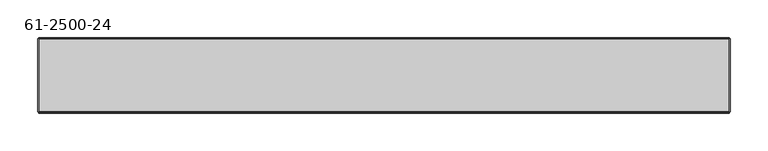
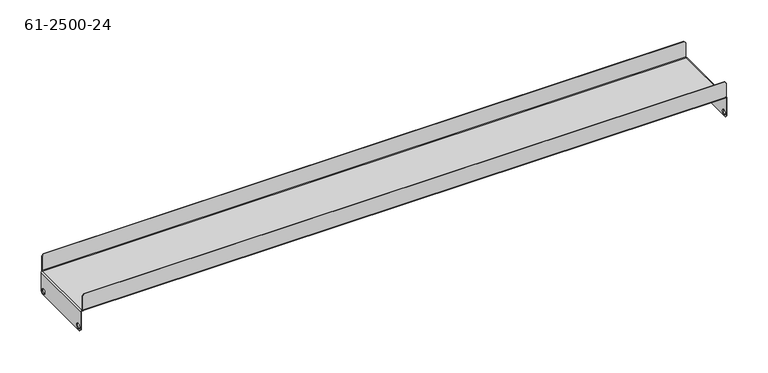
"""IFC4 building model written with IfcOpenShell, lengths in millimetres: proxy geometry, 61-2500-24."""

from ifc_helpers import new_model, si_unit, frame, origin, place, context, project, spatial, polyline, circle_curve, source, transform, mapped, element, save
from ifc_brep_helpers import plane_surface, cylinder_surface, revolved_surface, advanced_brep


def proxy_61_2500_24_89a90659(model_context):
    return source(origin(), model_context, "Body", "AdvancedBrep", [
        advanced_brep(
        [(14.82344, 421.1574, -22.19706), (13.97, 421.1574, -22.19706), (13.97, 421.1574, -29.43606), (14.82344, 421.1574, -29.43606), (935.12132, 421.1574, -22.19706), (934.26788, 421.1574, -22.19706), (934.26788, 421.1574, -29.43606), (935.12132, 421.1574, -29.43606), (14.82344, 506.7554, -22.19706), (13.97, 506.7554, -22.19706), (13.97, 506.7554, -29.43606), (14.82344, 506.7554, -29.43606), (935.12132, 506.7554, -22.19706), (934.26788, 506.7554, -22.19706), (934.26788, 506.7554, -29.43606), (935.12132, 506.7554, -29.43606), (930.87444, 413.73552, 25.4), (933.41444, 413.73552, 22.86), (933.41444, 414.58896, 22.86), (930.87444, 414.58896, 25.4), (18.21688, 414.58896, 25.4), (18.21688, 413.73552, 25.4), (933.41444, 414.58896, 1.70688), (15.67688, 414.58896, 1.70688), (15.67688, 414.58896, 22.86), (933.41444, 514.17728, 22.86), (930.87444, 514.17728, 25.4), (930.87444, 513.32384, 25.4), (933.41444, 513.32384, 22.86), (933.41444, 513.32384, 1.70688), (933.41444, 514.17728, 1.70688), (18.21688, 513.32384, 25.4), (15.67688, 513.32384, 22.86), (15.67688, 513.32384, 1.70688), (15.67688, 413.73552, 22.86), (15.67688, 413.73552, 1.70688), (18.21688, 514.17728, 25.4), (15.67688, 514.17728, 22.86), (15.67688, 514.17728, 1.70688), (935.12132, 512.4704, -28.35656), (935.12132, 509.9304, -30.89656), (934.26788, 509.9304, -30.89656), (934.26788, 512.4704, -28.35656), (934.26788, 512.4704, -0.85344), (935.12132, 512.4704, -0.85344), (934.26788, 417.9824, -30.89656), (934.26788, 415.4424, -28.35656), (934.26788, 415.4424, -0.85344), (935.12132, 417.9824, -30.89656), (935.12132, 415.4424, -28.35656), (935.12132, 415.4424, -0.85344), (13.97, 415.4424, -28.35656), (13.97, 417.9824, -30.89656), (14.82344, 417.9824, -30.89656), (14.82344, 415.4424, -28.35656), (14.82344, 415.4424, -0.85344), (13.97, 415.4424, -0.85344), (14.82344, 509.9304, -30.89656), (14.82344, 512.4704, -28.35656), (14.82344, 512.4704, -0.85344), (13.97, 509.9304, -30.89656), (13.97, 512.4704, -28.35656), (13.97, 512.4704, -0.85344), (933.41444, 512.4704, 0.0), (15.67688, 512.4704, 0.0), (933.41444, 512.4704, 0.85344), (15.67688, 512.4704, 0.85344), (933.41444, 413.73552, 1.70688), (15.67688, 415.4424, 0.0), (933.41444, 415.4424, 0.0), (15.67688, 415.4424, 0.85344), (933.41444, 415.4424, 0.85344)],
        [
            (0, 1),
            (1, 2, circle_curve(frame((13.97, 421.1574, -25.81656), z_axis=(-1.0, 0.0, 0.0), x_axis=(0.0, 0.0, 1.0)), 3.6195)),
            (2, 3),
            (3, 0, circle_curve(frame((14.82344, 421.1574, -25.81656), z_axis=(1.0, 0.0, 0.0), x_axis=(0.0, 0.0, 1.0)), 3.6195)),
            (4, 5),
            (5, 6, circle_curve(frame((934.26788, 421.1574, -25.81656), z_axis=(-1.0, 0.0, 0.0), x_axis=(0.0, 0.0, 1.0)), 3.6195)),
            (6, 7),
            (7, 4, circle_curve(frame((935.12132, 421.1574, -25.81656), z_axis=(1.0, 0.0, 0.0), x_axis=(0.0, 0.0, 1.0)), 3.6195)),
            (8, 9),
            (9, 10, circle_curve(frame((13.97, 506.7554, -25.81656), z_axis=(-1.0, 0.0, 0.0), x_axis=(0.0, 0.0, 1.0)), 3.6195)),
            (10, 11),
            (11, 8, circle_curve(frame((14.82344, 506.7554, -25.81656), z_axis=(1.0, 0.0, 0.0), x_axis=(0.0, 0.0, 1.0)), 3.6195)),
            (12, 13),
            (13, 14, circle_curve(frame((934.26788, 506.7554, -25.81656), z_axis=(-1.0, 0.0, 0.0), x_axis=(0.0, 0.0, 1.0)), 3.6195)),
            (14, 15),
            (15, 12, circle_curve(frame((935.12132, 506.7554, -25.81656), z_axis=(1.0, 0.0, 0.0), x_axis=(0.0, 0.0, 1.0)), 3.6195)),
            (16, 17),
            (17, 18),
            (18, 19),
            (19, 16),
            (19, 20),
            (20, 21),
            (21, 16),
            (18, 22),
            (22, 23),
            (23, 24),
            (24, 20),
            (25, 26),
            (26, 27),
            (27, 28),
            (28, 25),
            (28, 29),
            (29, 30),
            (30, 25),
            (27, 31),
            (31, 32),
            (32, 33),
            (33, 29),
            (34, 21),
            (24, 34),
            (23, 35),
            (35, 34),
            (36, 37),
            (37, 32),
            (31, 36),
            (37, 38),
            (38, 33),
            (39, 40),
            (40, 41),
            (41, 42),
            (42, 39),
            (42, 43),
            (43, 44),
            (44, 39),
            (41, 45),
            (45, 46),
            (46, 47),
            (47, 43),
            (5, 6, circle_curve(frame((934.26788, 421.1574, -25.81656), z_axis=(1.0, 0.0, 0.0), x_axis=(0.0, 0.0, 1.0)), 3.6195)),
            (13, 14, circle_curve(frame((934.26788, 506.7554, -25.81656), z_axis=(1.0, 0.0, 0.0), x_axis=(0.0, 0.0, 1.0)), 3.6195)),
            (48, 49),
            (49, 46),
            (45, 48),
            (49, 50),
            (50, 47),
            (51, 52),
            (52, 53),
            (53, 54),
            (54, 51),
            (54, 55),
            (55, 56),
            (56, 51),
            (53, 57),
            (57, 58),
            (58, 59),
            (59, 55),
            (11, 8, circle_curve(frame((14.82344, 506.7554, -25.81656), z_axis=(-1.0, 0.0, 0.0), x_axis=(0.0, 0.0, 1.0)), 3.6195)),
            (3, 0, circle_curve(frame((14.82344, 421.1574, -25.81656), z_axis=(-1.0, 0.0, 0.0), x_axis=(0.0, 0.0, 1.0)), 3.6195)),
            (60, 61),
            (61, 58),
            (57, 60),
            (61, 62),
            (62, 59),
            (12, 15, circle_curve(frame((935.12132, 506.7554, -25.81656), z_axis=(1.0, 0.0, 0.0), x_axis=(0.0, 0.0, 1.0)), 3.6195)),
            (10, 9, circle_curve(frame((13.97, 506.7554, -25.81656), z_axis=(-1.0, 0.0, 0.0), x_axis=(0.0, 0.0, 1.0)), 3.6195)),
            (4, 7, circle_curve(frame((935.12132, 421.1574, -25.81656), z_axis=(1.0, 0.0, 0.0), x_axis=(0.0, 0.0, 1.0)), 3.6195)),
            (2, 1, circle_curve(frame((13.97, 421.1574, -25.81656), z_axis=(-1.0, 0.0, 0.0), x_axis=(0.0, 0.0, 1.0)), 3.6195)),
            (38, 30),
            (30, 63, circle_curve(frame((933.41444, 512.4704, 1.70688), z_axis=(-1.0, 0.0, 0.0), x_axis=(0.0, 0.0, -1.0)), 1.70688)),
            (63, 64),
            (64, 38, circle_curve(frame((15.67688, 512.4704, 1.70688), z_axis=(1.0, 0.0, 0.0), x_axis=(0.0, 0.0, -1.0)), 1.70688)),
            (29, 65, circle_curve(frame((933.41444, 512.4704, 1.70688), z_axis=(-1.0, 0.0, 0.0), x_axis=(0.0, 0.0, -1.0)), 0.85344)),
            (65, 63),
            (64, 66),
            (66, 33, circle_curve(frame((15.67688, 512.4704, 1.70688), z_axis=(1.0, 0.0, 0.0), x_axis=(0.0, 0.0, -1.0)), 0.85344)),
            (26, 36),
            (66, 65),
            (67, 35),
            (35, 68, circle_curve(frame((15.67688, 415.4424, 1.70688), z_axis=(1.0, 0.0, 0.0), x_axis=(0.0, 0.0, -1.0)), 1.70688)),
            (68, 69),
            (69, 67, circle_curve(frame((933.41444, 415.4424, 1.70688), z_axis=(-1.0, 0.0, 0.0), x_axis=(0.0, 0.0, -1.0)), 1.70688)),
            (17, 67),
            (67, 22),
            (23, 70, circle_curve(frame((15.67688, 415.4424, 1.70688), z_axis=(1.0, 0.0, 0.0), x_axis=(0.0, 0.0, -1.0)), 0.85344)),
            (70, 68),
            (69, 71),
            (71, 22, circle_curve(frame((933.41444, 415.4424, 1.70688), z_axis=(-1.0, 0.0, 0.0), x_axis=(0.0, 0.0, -1.0)), 0.85344)),
            (71, 70),
            (62, 56),
            (56, 70, circle_curve(frame((15.67688, 415.4424, -0.85344), z_axis=(0.0, 1.0, 0.0), x_axis=(0.0, 0.0, 1.0)), 1.70688)),
            (70, 66),
            (66, 62, circle_curve(frame((15.67688, 512.4704, -0.85344), z_axis=(0.0, -1.0, 0.0), x_axis=(0.0, 0.0, 1.0)), 1.70688)),
            (55, 68, circle_curve(frame((15.67688, 415.4424, -0.85344), z_axis=(0.0, 1.0, 0.0), x_axis=(0.0, 0.0, 1.0)), 0.85344)),
            (64, 59, circle_curve(frame((15.67688, 512.4704, -0.85344), z_axis=(0.0, -1.0, 0.0), x_axis=(0.0, 0.0, 1.0)), 0.85344)),
            (52, 60),
            (64, 68),
            (50, 44),
            (44, 65, circle_curve(frame((933.41444, 512.4704, -0.85344), z_axis=(0.0, -1.0, 0.0), x_axis=(0.0, 0.0, 1.0)), 1.70688)),
            (65, 71),
            (71, 50, circle_curve(frame((933.41444, 415.4424, -0.85344), z_axis=(0.0, 1.0, 0.0), x_axis=(0.0, 0.0, 1.0)), 1.70688)),
            (43, 63, circle_curve(frame((933.41444, 512.4704, -0.85344), z_axis=(0.0, -1.0, 0.0), x_axis=(0.0, 0.0, 1.0)), 0.85344)),
            (69, 47, circle_curve(frame((933.41444, 415.4424, -0.85344), z_axis=(0.0, 1.0, 0.0), x_axis=(0.0, 0.0, 1.0)), 0.85344)),
            (40, 48),
            (69, 63),
        ],
        [
            revolved_surface(polyline([(13.970000000000027, 421.1574, -22.19706), (14.823440000000005, 421.1574, -22.19706)]), (942.2897747, 421.1574, -25.81656), (-1.0, 0.0, 0.0)),
            revolved_surface(polyline([(934.26788, 421.1574, -22.19706), (935.12132, 421.1574, -22.19706)]), (942.2897747, 421.1574, -25.81656), (-1.0, 0.0, 0.0)),
            revolved_surface(polyline([(13.970000000000027, 506.7554, -22.19706), (14.823440000000005, 506.7554, -22.19706)]), (942.2897747, 506.7554, -25.81656), (-1.0, 0.0, 0.0)),
            revolved_surface(polyline([(934.26788, 506.7554, -22.19706), (935.12132, 506.7554, -22.19706)]), (942.2897747, 506.7554, -25.81656), (-1.0, 0.0, 0.0)),
            plane_surface(frame((932.14444, 414.58896, 24.13), z_axis=(0.7071067811865017, 0.0, 0.7071067811865933), x_axis=(0.7071067811865933, 0.0, -0.7071067811865017))),
            plane_surface(frame((15.67688, 414.58896, 25.4), z_axis=(0.0, 0.0, 1.0), x_axis=(0.0, -1.0, 0.0))),
            plane_surface(frame((474.54566, 414.58896, 12.5882221), z_axis=(0.0, 1.0, 0.0), x_axis=(1.0, 0.0, 0.0))),
            plane_surface(frame((932.14444, 513.32384, 24.13), z_axis=(0.7071067811865209, 0.0, 0.7071067811865741), x_axis=(0.7071067811865741, 0.0, -0.7071067811865209))),
            plane_surface(frame((933.41444, 513.32384, 1.70688), z_axis=(1.0, 0.0, 0.0), x_axis=(0.0, 1.0, 0.0))),
            plane_surface(frame((474.54566, 513.32384, 12.5882221), z_axis=(0.0, -1.0, 0.0), x_axis=(1.0, 0.0, 0.0))),
            plane_surface(frame((16.94688, 414.58896, 24.13), z_axis=(-0.7071067811865803, 0.0, 0.7071067811865148), x_axis=(0.7071067811865148, 0.0, 0.7071067811865803))),
            plane_surface(frame((15.67688, 414.58896, 1.70688), z_axis=(-1.0, 0.0, 0.0), x_axis=(0.0, 1.0, 0.0))),
            plane_surface(frame((16.94688, 513.32384, 24.13), z_axis=(-0.7071067811865803, 0.0, 0.7071067811865148), x_axis=(0.7071067811865148, 0.0, 0.7071067811865803))),
            plane_surface(frame((15.67688, 513.32384, 1.70688), z_axis=(-1.0, 0.0, 0.0), x_axis=(0.0, -1.0, 0.0))),
            plane_surface(frame((934.26788, 511.2004, -29.62656), z_axis=(0.0, 0.7071067811865507, -0.7071067811865445), x_axis=(-1.0, 0.0, 0.0))),
            plane_surface(frame((934.26788, 512.4704, -0.85344), z_axis=(0.0, 1.0, 0.0), x_axis=(1.0, 0.0, 0.0))),
            plane_surface(frame((934.26788, 463.9564, -14.9097821), z_axis=(-1.0, 0.0, 0.0), x_axis=(0.0, 0.0, -1.0))),
            plane_surface(frame((934.26788, 416.7124, -29.62656), z_axis=(0.0, -0.7071067811865408, -0.7071067811865543), x_axis=(-1.0, 0.0, 0.0))),
            plane_surface(frame((934.26788, 415.4424, -0.85344), z_axis=(0.0, -1.0, 0.0), x_axis=(-1.0, 0.0, 0.0))),
            plane_surface(frame((14.82344, 416.7124, -29.62656), z_axis=(0.0, -0.7071067811865507, -0.7071067811865445), x_axis=(-1.0, 0.0, 0.0))),
            plane_surface(frame((14.82344, 415.4424, -0.85344), z_axis=(0.0, -1.0, 0.0), x_axis=(1.0, 0.0, 0.0))),
            plane_surface(frame((14.82344, 463.9564, -14.9097821), z_axis=(1.0, 0.0, 0.0), x_axis=(0.0, 0.0, 1.0))),
            plane_surface(frame((14.82344, 511.2004, -29.62656), z_axis=(0.0, 0.7071067811865507, -0.7071067811865445), x_axis=(-1.0, 0.0, 0.0))),
            plane_surface(frame((14.82344, 512.4704, -0.85344), z_axis=(0.0, 1.0, 0.0), x_axis=(-1.0, 0.0, 0.0))),
            cylinder_surface(frame((474.54566, 512.4704, 1.70688), z_axis=(1.0, 0.0, 0.0), x_axis=(0.0, 0.0, -1.0)), 1.70688),
            plane_surface(frame((933.41444, 513.32384, 1.70688), z_axis=(1.0, 0.0, 0.0), x_axis=(0.0, 0.0, -1.0))),
            plane_surface(frame((15.67688, 514.17728, 1.70688), z_axis=(-1.0, 0.0, 0.0), x_axis=(0.0, 0.0, 1.0))),
            plane_surface(frame((933.41444, 513.32384, 25.4), z_axis=(0.0, 0.0, 1.0), x_axis=(0.0, -1.0, 0.0))),
            plane_surface(frame((474.54566, 514.17728, 12.5882221), z_axis=(0.0, 1.0, 0.0), x_axis=(1.0, 0.0, 0.0))),
            revolved_surface(polyline([(933.41444, 512.4704, 0.85344), (15.676879999999983, 512.4704, 0.85344)]), (474.54566, 512.4704, 1.70688), (1.0, 0.0, 0.0)),
            cylinder_surface(frame((474.54566, 415.4424, 1.70688), z_axis=(-1.0, 0.0, 0.0), x_axis=(0.0, 0.0, -1.0)), 1.70688),
            plane_surface(frame((933.41444, 414.58896, 1.70688), z_axis=(1.0, 0.0, 0.0), x_axis=(0.0, -1.0, 0.0))),
            plane_surface(frame((15.67688, 414.58896, 1.70688), z_axis=(-1.0, 0.0, 0.0), x_axis=(0.0, 0.0, 1.0))),
            plane_surface(frame((933.41444, 413.73552, 1.70688), z_axis=(1.0, 0.0, 0.0), x_axis=(0.0, 0.0, -1.0))),
            plane_surface(frame((474.54566, 413.73552, 12.5882221), z_axis=(0.0, -1.0, 0.0), x_axis=(1.0, 0.0, 0.0))),
            revolved_surface(polyline([(15.676879999999983, 415.4424, 0.85344), (933.41444, 415.4424, 0.85344)]), (474.54566, 415.4424, 1.70688), (-1.0, 0.0, 0.0)),
            cylinder_surface(frame((15.67688, 463.9564, -0.85344), z_axis=(0.0, -1.0, 0.0), x_axis=(0.0, 0.0, 1.0)), 1.70688),
            plane_surface(frame((14.82344, 415.4424, -0.85344), z_axis=(0.0, -1.0, 0.0), x_axis=(0.0, 0.0, -1.0))),
            plane_surface(frame((13.97, 512.4704, -0.85344), z_axis=(0.0, 1.0, 0.0), x_axis=(0.0, 0.0, 1.0))),
            plane_surface(frame((14.82344, 415.4424, -30.89656), z_axis=(0.0, 0.0, -1.0), x_axis=(-1.0, 0.0, 0.0))),
            plane_surface(frame((13.97, 463.9564, -14.9097821), z_axis=(-1.0, 0.0, 0.0), x_axis=(0.0, 0.0, 1.0))),
            revolved_surface(polyline([(15.67688, 415.4424, 0.0), (15.67688, 512.4704, 0.0)]), (15.67688, 463.9564, -0.85344), (0.0, -1.0, 0.0)),
            cylinder_surface(frame((933.41444, 463.9564, -0.85344), z_axis=(0.0, 1.0, 0.0), x_axis=(0.0, 0.0, 1.0)), 1.70688),
            plane_surface(frame((934.26788, 512.4704, -0.85344), z_axis=(0.0, 1.0, 0.0), x_axis=(0.0, 0.0, 1.0))),
            plane_surface(frame((935.12132, 415.4424, -0.85344), z_axis=(0.0, -1.0, 0.0), x_axis=(0.0, 0.0, -1.0))),
            plane_surface(frame((934.26788, 512.4704, -30.89656), z_axis=(0.0, 0.0, -1.0), x_axis=(-1.0, 0.0, 0.0))),
            plane_surface(frame((935.12132, 463.9564, -14.9097821), z_axis=(1.0, 0.0, 0.0), x_axis=(0.0, 0.0, -1.0))),
            revolved_surface(polyline([(933.41444, 512.4704, 0.0), (933.41444, 415.4424, 0.0)]), (933.41444, 463.9564, -0.85344), (0.0, 1.0, 0.0)),
            plane_surface(frame((474.54566, 463.9564, 0.85344), z_axis=(0.0, 0.0, 1.0), x_axis=(1.0, 0.0, 0.0))),
            plane_surface(frame((474.54566, 463.9564, 0.0), z_axis=(0.0, 0.0, -1.0), x_axis=(1.0, 0.0, 0.0))),
        ],
        [
            (0, [[1, 2, 3, 4]]),
            (1, [[5, 6, 7, 8]]),
            (2, [[9, 10, 11, 12]]),
            (3, [[13, 14, 15, 16]]),
            (4, [[17, 18, 19, 20]]),
            (5, [[-20, 21, 22, 23]]),
            (6, [[-19, 24, 25, 26, 27, -21]]),
            (7, [[28, 29, 30, 31]]),
            (8, [[-31, 32, 33, 34]]),
            (9, [[-30, 35, 36, 37, 38, -32]]),
            (10, [[39, -22, -27, 40]]),
            (11, [[-40, -26, 41, 42]]),
            (12, [[43, 44, -36, 45]]),
            (13, [[-44, 46, 47, -37]]),
            (14, [[48, 49, 50, 51]]),
            (15, [[-51, 52, 53, 54]]),
            (16, [[-50, 55, 56, 57, 58, -52], [-6, 59], [-14, 60]]),
            (17, [[61, 62, -56, 63]]),
            (18, [[-62, 64, 65, -57]]),
            (19, [[66, 67, 68, 69]]),
            (20, [[-69, 70, 71, 72]]),
            (21, [[-68, 73, 74, 75, 76, -70], [77, -12], [78, -4]]),
            (22, [[79, 80, -74, 81]]),
            (23, [[-80, 82, 83, -75]]),
            (3, [[-13, 84, -15, -60]]),
            (2, [[-9, -77, -11, 85]]),
            (1, [[-5, 86, -7, -59]]),
            (0, [[-1, -78, -3, 87]]),
            (24, [[88, 89, 90, 91]]),
            (25, [[-33, 92, 93, -89]]),
            (26, [[-47, -91, 94, 95]]),
            (27, [[-29, 96, -45, -35]]),
            (28, [[-28, -34, -88, -46, -43, -96]]),
            (29, [[-38, -95, 97, -92]]),
            (30, [[98, 99, 100, 101]]),
            (31, [[-18, 102, 103, -24]]),
            (32, [[-41, 104, 105, -99]]),
            (33, [[-103, -101, 106, 107]]),
            (34, [[-17, -23, -39, -42, -98, -102]]),
            (35, [[-25, -107, 108, -104]]),
            (36, [[109, 110, 111, 112]]),
            (37, [[-71, 113, -105, -110]]),
            (38, [[-83, -112, -94, 114]]),
            (39, [[-67, 115, -81, -73]]),
            (40, [[-66, -72, -109, -82, -79, -115], [-85, -10], [-87, -2]]),
            (41, [[-76, -114, 116, -113]]),
            (42, [[117, 118, 119, 120]]),
            (43, [[-53, 121, -93, -118]]),
            (44, [[-65, -120, -106, 122]]),
            (45, [[-49, 123, -63, -55]]),
            (46, [[-48, -54, -117, -64, -61, -123], [-84, -16], [-86, -8]]),
            (47, [[-58, -122, 124, -121]]),
            (48, [[-111, -108, -119, -97]]),
            (49, [[-116, -90, -124, -100]]),
        ],
    ),
    ])


if __name__ == "__main__":
    model = new_model("IFC4")
    model_context = context("Model", 3, world=origin())
    ifc_project = project(units=[si_unit("LENGTHUNIT", "METRE", prefix="MILLI")], contexts=[model_context])
    site = spatial("IfcSite", under=ifc_project)
    building = spatial("IfcBuilding", under=site)
    placement = place(None, origin())
    proxy_61_2500_24_shape = proxy_61_2500_24_89a90659(model_context)
    element("IfcBuildingElementProxy", 1, Name="61-2500-24", ObjectType="61-2500-24", at=placement, inside=building, context=model_context, shape_type="MappedRepresentation", body=[
        mapped(proxy_61_2500_24_shape, transform((0.0, 0.0, 0.0), x_axis=(1.0, 0.0, 0.0), y_axis=(0.0, 1.0, 0.0), z_axis=(0.0, 0.0, 1.0))),
    ])
    save(model, "model.ifc")
